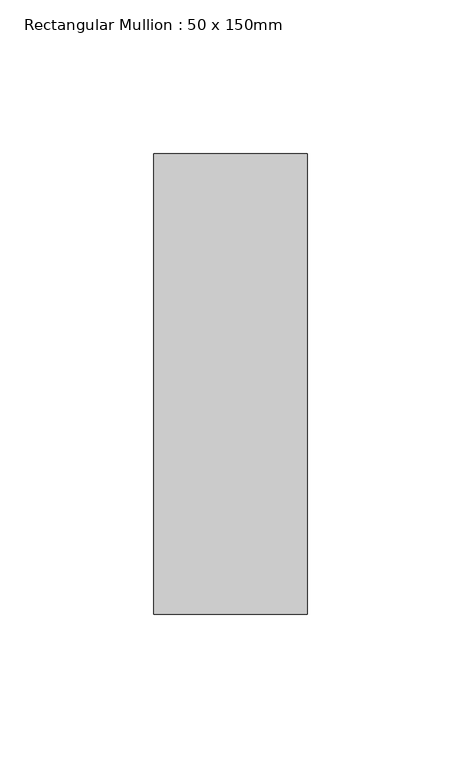
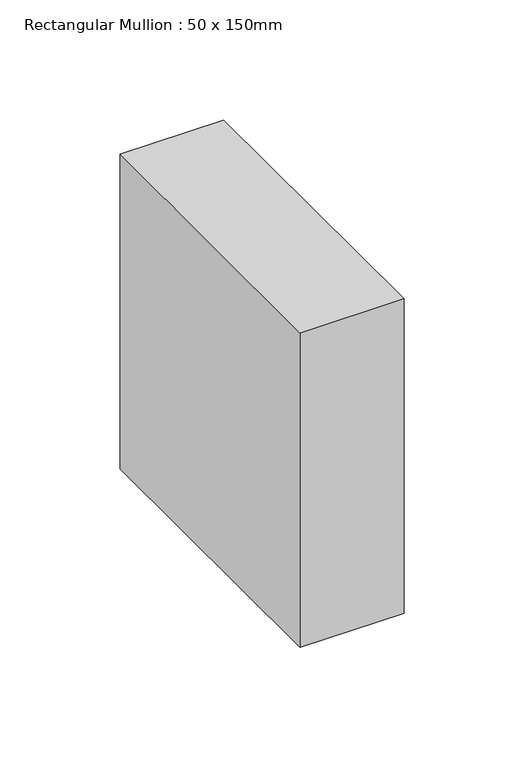
"""IFC4 building model written with IfcOpenShell, lengths in millimetres: member geometry, Rectangular Mullion : 50 x 150mm."""

from ifc_helpers import new_model, si_unit, frame, origin, place, context, project, spatial, polyline, outline, extrude, source, transform, mapped, element, save


def rectangular_mullion_50_x_150mm_6d2d738e(model_context):
    return source(origin(), model_context, "Body", "SweptSolid", [
        extrude(outline(polyline([(25.0, 75.0), (25.0, -75.0), (-25.0, -75.0), (-25.0, 75.0), (25.0, 75.0)])), frame((0.0, 0.0, -160.0), z_axis=(0.0, 0.0, 1.0), x_axis=(1.0, 0.0, 0.0)), (0.0, 0.0, 1.0), 160.0),
    ])


if __name__ == "__main__":
    model = new_model("IFC4")
    model_context = context("Model", 3, world=origin())
    ifc_project = project(units=[si_unit("LENGTHUNIT", "METRE", prefix="MILLI")], contexts=[model_context])
    site = spatial("IfcSite", under=ifc_project)
    building = spatial("IfcBuilding", under=site)
    placement = place(None, origin())
    rectangular_mullion_50_x_150mm_shape = rectangular_mullion_50_x_150mm_6d2d738e(model_context)
    element("IfcMember", 1, ObjectType="Rectangular Mullion : 50 x 150mm", at=placement, inside=building, context=model_context, shape_type="MappedRepresentation", body=[
        mapped(rectangular_mullion_50_x_150mm_shape, transform((0.0, 0.0, 0.0), x_axis=(1.0, 0.0, 0.0), y_axis=(0.0, 1.0, 0.0), z_axis=(0.0, 0.0, 1.0))),
    ])
    save(model, "model.ifc")
